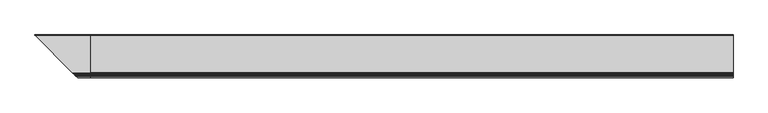
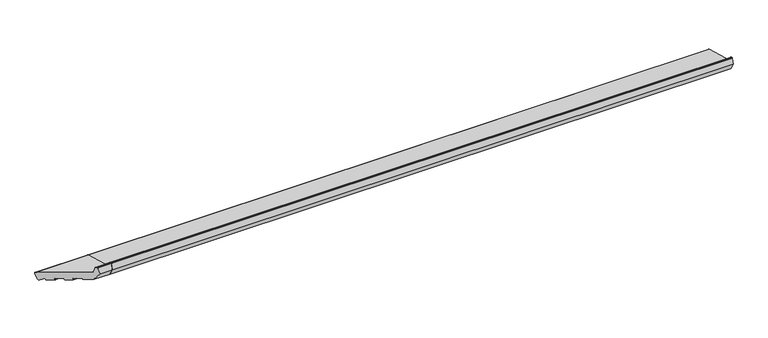
"""IFC4 building model written with IfcOpenShell, lengths in millimetres: proxy geometry."""

from ifc_helpers import new_model, si_unit, point, frame, frame_2d, origin, place, context, project, spatial, polyline, circle_curve, ellipse_curve, trimmed, segment, composite_curve, outline, extrude, source, transform, mapped, element, save
from ifc_brep_helpers import plane_surface, cylinder_surface, revolved_surface, advanced_brep


def generic_models_24530f3c(model_context):
    return source(origin(), model_context, "Body", "SolidModel", [
        advanced_brep(
        [(-224.6670576, 34.6670576, 35.293328), (-224.6670576, 35.160744, 32.7223387), (-224.6670576, 34.6670576, 30.8798763), (0.0, 24.7572142, 5.4869469), (0.0, 28.4314488, 7.6082672), (0.0, 35.160744, 32.7223387), (0.0, 33.0394236, 36.3965733), (0.0, -118.1626434, 76.9110451), (0.0, -122.4052841, 81.1536858), (0.0, -127.1879801, 99.0029505), (0.0, -128.6368689, 100.114722), (0.0, -131.9802434, 100.114722), (0.0, -133.4291321, 99.0029505), (0.0, -140.0, 74.4801377), (0.0, -122.3223305, 43.8615159), (0.0, -94.3104815, 36.3557636), (0.0, -93.0857366, 37.0628704), (0.0, -92.0504605, 40.9265737), (0.0, -90.8257156, 41.6336805), (0.0, -67.6434958, 35.4220234), (0.0, -66.936389, 34.1972785), (0.0, -67.9716652, 30.3335752), (0.0, -67.2645584, 29.1088303), (0.0, -45.0482644, 23.1559923), (0.0, -43.8235195, 23.8630991), (0.0, -42.7882433, 27.7268024), (0.0, -41.5634984, 28.4339092), (0.0, -18.3812786, 22.2222521), (0.0, -17.6741718, 20.9975072), (0.0, -18.709448, 17.1338039), (0.0, -18.0023412, 15.909059), (0.0, 4.2139528, 9.956221), (0.0, 5.4386976, 10.6633278), (0.0, 6.3879511, 14.2059898), (0.0, 7.8722069, 14.8023515), (0.0, 22.0404366, 6.2149052), (-214.7572142, 24.7572142, 5.4869469), (-218.4314488, 28.4314488, 7.6082672), (-223.0394236, 33.0394236, 36.3965733), (-71.8373566, -118.1626434, 76.9110451), (-67.5947159, -122.4052841, 81.1536858), (-62.8120199, -127.1879801, 99.0029505), (-61.3631311, -128.6368689, 100.114722), (-58.0197566, -131.9802434, 100.114722), (-56.5708679, -133.4291321, 99.0029505), (-50.0, -140.0, 74.4801377), (-67.6776695, -122.3223305, 43.8615159), (-95.6895185, -94.3104815, 36.3557636), (-96.9142634, -93.0857366, 37.0628704), (-97.9495395, -92.0504605, 40.9265737), (-99.1742844, -90.8257156, 41.6336805), (-122.3565042, -67.6434958, 35.4220234), (-123.063611, -66.936389, 34.1972785), (-122.0283348, -67.9716652, 30.3335752), (-122.7354416, -67.2645584, 29.1088303), (-144.9517356, -45.0482644, 23.1559923), (-146.1764805, -43.8235195, 23.8630991), (-147.2117567, -42.7882433, 27.7268024), (-148.4365016, -41.5634984, 28.4339092), (-212.0404366, 22.0404366, 6.2149052), (-171.6187214, -18.3812786, 22.2222521), (-171.290552, -18.709448, 17.1338039), (-171.9976588, -18.0023412, 15.909059), (-172.3258282, -17.6741718, 20.9975072), (-194.2139528, 4.2139528, 9.956221), (-195.4386976, 5.4386976, 10.6633278), (-196.3879511, 6.3879511, 14.2059898), (-197.8722069, 7.8722069, 14.8023515)],
        [
            (0, 1, circle_curve(frame((-224.6670576, 32.2629665, 33.4987958), z_axis=(-1.0, 0.0, 0.0), x_axis=(0.0, 1.0, 0.0)), 3.0)),
            (1, 2),
            (2, 0),
            (3, 4, circle_curve(frame((0.0, 25.5336713, 8.3847244), z_axis=(1.0, 0.0, 0.0), x_axis=(0.0, 1.0, 0.0)), 3.0)),
            (4, 5),
            (5, 6, circle_curve(frame((0.0, 32.2629665, 33.4987958), z_axis=(1.0, 0.0, 0.0), x_axis=(0.0, 1.0, 0.0)), 3.0)),
            (6, 7),
            (7, 8, circle_curve(frame((0.0, -116.6097291, 82.7066), z_axis=(-1.0, 0.0, 0.0), x_axis=(0.0, 1.0, 0.0)), 6.0)),
            (8, 9),
            (9, 10, circle_curve(frame((0.0, -128.6368689, 98.614722), z_axis=(1.0, 0.0, 0.0), x_axis=(0.0, 1.0, 0.0)), 1.5)),
            (10, 11),
            (11, 12, circle_curve(frame((0.0, -131.9802434, 98.614722), z_axis=(1.0, 0.0, 0.0), x_axis=(0.0, 1.0, 0.0)), 1.5)),
            (12, 13),
            (13, 14),
            (14, 15),
            (15, 16, circle_curve(frame((0.0, -94.0516625, 37.3216894), z_axis=(1.0, 0.0, 0.0), x_axis=(0.0, 1.0, 0.0)), 1.0)),
            (16, 17),
            (17, 18, circle_curve(frame((0.0, -91.0845346, 40.6677546), z_axis=(-1.0, 0.0, 0.0), x_axis=(0.0, 1.0, 0.0)), 1.0)),
            (18, 19),
            (19, 20, circle_curve(frame((0.0, -67.9023148, 34.4560976), z_axis=(-1.0, 0.0, 0.0), x_axis=(0.0, 1.0, 0.0)), 1.0)),
            (20, 21),
            (21, 22, circle_curve(frame((0.0, -67.0057393, 30.0747562), z_axis=(1.0, 0.0, 0.0), x_axis=(0.0, 1.0, 0.0)), 1.0)),
            (22, 23),
            (23, 24, circle_curve(frame((0.0, -44.7894453, 24.1219181), z_axis=(1.0, 0.0, 0.0), x_axis=(0.0, 1.0, 0.0)), 1.0)),
            (24, 25),
            (25, 26, circle_curve(frame((0.0, -41.8223175, 27.4679833), z_axis=(-1.0, 0.0, 0.0), x_axis=(0.0, 1.0, 0.0)), 1.0)),
            (26, 27),
            (27, 28, circle_curve(frame((0.0, -18.6400977, 21.2563263), z_axis=(-1.0, 0.0, 0.0), x_axis=(0.0, 1.0, 0.0)), 1.0)),
            (28, 29),
            (29, 30, circle_curve(frame((0.0, -17.7435222, 16.8749849), z_axis=(1.0, 0.0, 0.0), x_axis=(0.0, 1.0, 0.0)), 1.0)),
            (30, 31),
            (31, 32, circle_curve(frame((0.0, 4.4727718, 10.9221468), z_axis=(1.0, 0.0, 0.0), x_axis=(0.0, 1.0, 0.0)), 1.0)),
            (32, 33),
            (33, 34, circle_curve(frame((0.0, 7.3538769, 13.9471708), z_axis=(-1.0, 0.0, 0.0), x_axis=(0.0, 1.0, 0.0)), 1.0)),
            (34, 35),
            (35, 3),
            (3, 36),
            (36, 37, ellipse_curve(frame((-215.5336713, 25.5336713, 8.3847244), z_axis=(0.707106781186548, 0.7071067811865471, 0.0), x_axis=(-0.707106781186547, 0.707106781186548, 0.0)), 4.2426407, 3.0)),
            (37, 4),
            (37, 2),
            (1, 5),
            (0, 38, ellipse_curve(frame((-222.2629665, 32.2629665, 33.4987958), z_axis=(0.707106781186548, 0.7071067811865471, 0.0), x_axis=(-0.707106781186547, 0.707106781186548, 0.0)), 4.2426407, 3.0)),
            (38, 6),
            (38, 39),
            (39, 7),
            (39, 40, ellipse_curve(frame((-73.3902709, -116.6097291, 82.7066), z_axis=(-0.707106781186548, -0.7071067811865471, 0.0), x_axis=(0.707106781186547, -0.707106781186548, 0.0)), 8.4852814, 6.0)),
            (40, 8),
            (40, 41),
            (41, 9),
            (41, 42, ellipse_curve(frame((-61.3631311, -128.6368689, 98.614722), z_axis=(0.707106781186548, 0.7071067811865471, 0.0), x_axis=(-0.707106781186547, 0.707106781186548, 0.0)), 2.1213203, 1.5)),
            (42, 10),
            (42, 43),
            (43, 11),
            (43, 44, ellipse_curve(frame((-58.0197566, -131.9802434, 98.614722), z_axis=(0.707106781186548, 0.7071067811865471, 0.0), x_axis=(-0.707106781186547, 0.707106781186548, 0.0)), 2.1213203, 1.5)),
            (44, 12),
            (44, 45),
            (45, 13),
            (45, 46),
            (46, 14),
            (46, 47),
            (47, 15),
            (47, 48, ellipse_curve(frame((-95.9483375, -94.0516625, 37.3216894), z_axis=(0.707106781186548, 0.7071067811865471, 0.0), x_axis=(-0.707106781186547, 0.707106781186548, 0.0)), 1.4142136, 1.0)),
            (48, 16),
            (48, 49),
            (49, 17),
            (49, 50, ellipse_curve(frame((-98.9154654, -91.0845346, 40.6677546), z_axis=(-0.707106781186548, -0.7071067811865471, 0.0), x_axis=(0.707106781186547, -0.707106781186548, 0.0)), 1.4142136, 1.0)),
            (50, 18),
            (50, 51),
            (51, 19),
            (51, 52, ellipse_curve(frame((-122.0976852, -67.9023148, 34.4560976), z_axis=(-0.707106781186548, -0.7071067811865471, 0.0), x_axis=(0.707106781186547, -0.707106781186548, 0.0)), 1.4142136, 1.0)),
            (52, 20),
            (52, 53),
            (53, 21),
            (53, 54, ellipse_curve(frame((-122.9942607, -67.0057393, 30.0747562), z_axis=(0.707106781186548, 0.7071067811865471, 0.0), x_axis=(-0.707106781186547, 0.707106781186548, 0.0)), 1.4142136, 1.0)),
            (54, 22),
            (54, 55),
            (55, 23),
            (55, 56, ellipse_curve(frame((-145.2105547, -44.7894453, 24.1219181), z_axis=(0.707106781186548, 0.7071067811865471, 0.0), x_axis=(-0.707106781186547, 0.707106781186548, 0.0)), 1.4142136, 1.0)),
            (56, 24),
            (56, 57),
            (57, 25),
            (57, 58, ellipse_curve(frame((-148.1776825, -41.8223175, 27.4679833), z_axis=(-0.707106781186548, -0.7071067811865471, 0.0), x_axis=(0.707106781186547, -0.707106781186548, 0.0)), 1.4142136, 1.0)),
            (58, 26),
            (35, 59),
            (59, 36),
            (58, 60),
            (60, 27),
            (29, 61),
            (61, 62, ellipse_curve(frame((-172.2564778, -17.7435222, 16.8749849), z_axis=(0.707106781186548, 0.7071067811865471, 0.0), x_axis=(-0.707106781186547, 0.707106781186548, 0.0)), 1.4142136, 1.0)),
            (62, 30),
            (28, 63),
            (63, 61),
            (60, 63, ellipse_curve(frame((-171.3599023, -18.6400977, 21.2563263), z_axis=(-0.707106781186548, -0.7071067811865471, 0.0), x_axis=(0.707106781186547, -0.707106781186548, 0.0)), 1.4142136, 1.0)),
            (62, 64),
            (64, 31),
            (64, 65, ellipse_curve(frame((-194.4727718, 4.4727718, 10.9221468), z_axis=(0.707106781186548, 0.7071067811865471, 0.0), x_axis=(-0.707106781186547, 0.707106781186548, 0.0)), 1.4142136, 1.0)),
            (65, 32),
            (65, 66),
            (66, 33),
            (66, 67, ellipse_curve(frame((-197.3538769, 7.3538769, 13.9471708), z_axis=(-0.707106781186548, -0.7071067811865471, 0.0), x_axis=(0.707106781186547, -0.707106781186548, 0.0)), 1.4142136, 1.0)),
            (67, 34),
            (67, 59),
        ],
        [
            plane_surface(frame((-224.6670576, 0.0, 0.0), z_axis=(-1.0, 0.0, 0.0), x_axis=(0.0, 0.0, 1.0))),
            plane_surface(frame((0.0, 0.0, 0.0), z_axis=(1.0, 0.0, 0.0), x_axis=(0.0, 0.0, 1.0))),
            cylinder_surface(frame((-224.6670576, 25.5336713, 8.3847244), z_axis=(-1.0, 0.0, 0.0), x_axis=(0.0, 1.0, 0.0)), 3.0),
            plane_surface(frame((-224.6670576, 35.160744, 32.7223387), z_axis=(0.0, 0.9659258262890688, -0.25881904510251913), x_axis=(1.0, 0.0, 0.0))),
            cylinder_surface(frame((-224.6670576, 32.2629665, 33.4987958), z_axis=(-1.0, 0.0, 0.0), x_axis=(0.0, 1.0, 0.0)), 3.0),
            plane_surface(frame((-224.6670576, -118.1626434, 76.9110451), z_axis=(0.0, 0.2588190451025206, 0.9659258262890684), x_axis=(1.0, 0.0, 0.0))),
            revolved_surface(polyline([(0.0, -110.6097291, 82.7066), (-79.39027091821606, -110.6097291, 82.7066)]), (-224.6670576, -116.6097291, 82.7066), (1.0, 0.0, 0.0)),
            plane_surface(frame((-224.6670576, -127.1879801, 99.0029505), z_axis=(0.0, 0.9659258262890682, 0.2588190451025212), x_axis=(1.0, 0.0, 0.0))),
            cylinder_surface(frame((-224.6670576, -128.6368689, 98.614722), z_axis=(-1.0, 0.0, 0.0), x_axis=(0.0, 1.0, 0.0)), 1.5),
            plane_surface(frame((-224.6670576, -131.9802434, 100.114722), z_axis=(0.0, 0.0, 1.0), x_axis=(1.0, 0.0, 0.0))),
            cylinder_surface(frame((-224.6670576, -131.9802434, 98.614722), z_axis=(-1.0, 0.0, 0.0), x_axis=(0.0, 1.0, 0.0)), 1.5),
            plane_surface(frame((-224.6670576, -140.0, 74.4801377), z_axis=(0.0, -0.9659258262890683, 0.25881904510252074), x_axis=(1.0, 0.0, 0.0))),
            plane_surface(frame((-224.6670576, -122.3223305, 43.8615159), z_axis=(0.0, -0.8660254037844369, -0.500000000000003), x_axis=(1.0, 0.0, 0.0))),
            plane_surface(frame((-224.6670576, -94.3104815, 36.3557636), z_axis=(0.0, -0.2588190451025208, -0.9659258262890683), x_axis=(1.0, 0.0, 0.0))),
            cylinder_surface(frame((-224.6670576, -94.0516625, 37.3216894), z_axis=(-1.0, 0.0, 0.0), x_axis=(0.0, 1.0, 0.0)), 1.0),
            plane_surface(frame((-224.6670576, -92.0504605, 40.9265737), z_axis=(0.0, 0.9659258262890618, -0.25881904510254516), x_axis=(1.0, 0.0, 0.0))),
            revolved_surface(polyline([(0.0, -90.0845346, 40.6677546), (-99.91546542660625, -90.0845346, 40.6677546)]), (-224.6670576, -91.0845346, 40.6677546), (1.0, 0.0, 0.0)),
            plane_surface(frame((-224.6670576, -67.6434958, 35.4220234), z_axis=(0.0, -0.2588190451025217, -0.9659258262890681), x_axis=(1.0, 0.0, 0.0))),
            revolved_surface(polyline([(0.0, -66.9023148, 34.4560976), (-123.09768522660625, -66.9023148, 34.4560976)]), (-224.6670576, -67.9023148, 34.4560976), (1.0, 0.0, 0.0)),
            plane_surface(frame((-224.6670576, -67.9716652, 30.3335752), z_axis=(0.0, -0.9659258262890634, 0.25881904510253917), x_axis=(1.0, 0.0, 0.0))),
            cylinder_surface(frame((-224.6670576, -67.0057393, 30.0747562), z_axis=(-1.0, 0.0, 0.0), x_axis=(0.0, 1.0, 0.0)), 1.0),
            plane_surface(frame((-224.6670576, -45.0482644, 23.1559923), z_axis=(0.0, -0.2588190451025211, -0.9659258262890682), x_axis=(1.0, 0.0, 0.0))),
            cylinder_surface(frame((-224.6670576, -44.7894453, 24.1219181), z_axis=(-1.0, 0.0, 0.0), x_axis=(0.0, 1.0, 0.0)), 1.0),
            plane_surface(frame((-224.6670576, -42.7882433, 27.7268024), z_axis=(0.0, 0.9659258262890634, -0.2588190451025389), x_axis=(1.0, 0.0, 0.0))),
            revolved_surface(polyline([(0.0, -40.8223175, 27.4679833), (-149.17768252660625, -40.8223175, 27.4679833)]), (-224.6670576, -41.8223175, 27.4679833), (1.0, 0.0, 0.0)),
            plane_surface(frame((-224.6670576, 24.7572142, 5.4869469), z_axis=(0.0, -0.2588190451025144, -0.96592582628907), x_axis=(1.0, 0.0, 0.0))),
            plane_surface(frame((-224.6670576, -18.3812786, 22.2222521), z_axis=(0.0, -0.25881904510252046, -0.9659258262890684), x_axis=(1.0, 0.0, 0.0))),
            cylinder_surface(frame((-224.6670576, -17.7435222, 16.8749849), z_axis=(-1.0, 0.0, 0.0), x_axis=(0.0, 1.0, 0.0)), 1.0),
            plane_surface(frame((-224.6670576, -18.709448, 17.1338039), z_axis=(0.0, -0.9659258262890631, 0.25881904510254045), x_axis=(1.0, 0.0, 0.0))),
            revolved_surface(polyline([(0.0, -17.6400977, 21.2563263), (-172.35990232660623, -17.6400977, 21.2563263)]), (-224.6670576, -18.6400977, 21.2563263), (1.0, 0.0, 0.0)),
            plane_surface(frame((-224.6670576, 4.2139528, 9.956221), z_axis=(0.0, -0.2588190451025199, -0.9659258262890685), x_axis=(1.0, 0.0, 0.0))),
            cylinder_surface(frame((-224.6670576, 4.4727718, 10.9221468), z_axis=(-1.0, 0.0, 0.0), x_axis=(0.0, 1.0, 0.0)), 1.0),
            plane_surface(frame((-224.6670576, 6.3879511, 14.2059898), z_axis=(0.0, 0.9659258262890689, -0.2588190451025187), x_axis=(1.0, 0.0, 0.0))),
            revolved_surface(polyline([(0.0, 8.3538769, 13.9471708), (-198.35387692660623, 8.3538769, 13.9471708)]), (-224.6670576, 7.3538769, 13.9471708), (1.0, 0.0, 0.0)),
            plane_surface(frame((-224.6670576, 22.0404366, 6.2149052), z_axis=(0.0, -0.5183299834329735, -0.8551806991942542), x_axis=(1.0, 0.0, 0.0))),
            plane_surface(frame((-170.8510281, -19.1489719, 0.0), z_axis=(-0.707106781186548, -0.7071067811865471, 0.0), x_axis=(0.0, 0.0, 1.0))),
        ],
        [
            (0, [[1, 2, 3]]),
            (1, [[4, 5, 6, 7, 8, 9, 10, 11, 12, 13, 14, 15, 16, 17, 18, 19, 20, 21, 22, 23, 24, 25, 26, 27, 28, 29, 30, 31, 32, 33, 34, 35, 36]]),
            (2, [[-4, 37, 38, 39]]),
            (3, [[-5, -39, 40, -2, 41]]),
            (4, [[-6, -41, -1, 42, 43]]),
            (5, [[-7, -43, 44, 45]]),
            (6, [[-8, -45, 46, 47]]),
            (7, [[-9, -47, 48, 49]]),
            (8, [[-10, -49, 50, 51]]),
            (9, [[-11, -51, 52, 53]]),
            (10, [[-12, -53, 54, 55]]),
            (11, [[-13, -55, 56, 57]]),
            (12, [[-14, -57, 58, 59]]),
            (13, [[-15, -59, 60, 61]]),
            (14, [[-16, -61, 62, 63]]),
            (15, [[-17, -63, 64, 65]]),
            (16, [[-18, -65, 66, 67]]),
            (17, [[-19, -67, 68, 69]]),
            (18, [[-20, -69, 70, 71]]),
            (19, [[-21, -71, 72, 73]]),
            (20, [[-22, -73, 74, 75]]),
            (21, [[-23, -75, 76, 77]]),
            (22, [[-24, -77, 78, 79]]),
            (23, [[-25, -79, 80, 81]]),
            (24, [[-26, -81, 82, 83]]),
            (25, [[-36, 84, 85, -37]]),
            (26, [[-27, -83, 86, 87]]),
            (27, [[-30, 88, 89, 90]]),
            (28, [[-29, 91, 92, -88]]),
            (29, [[-28, -87, 93, -91]]),
            (30, [[-31, -90, 94, 95]]),
            (31, [[-32, -95, 96, 97]]),
            (32, [[-33, -97, 98, 99]]),
            (33, [[-34, -99, 100, 101]]),
            (34, [[-35, -101, 102, -84]]),
            (35, [[-3, -40, -38, -85, -102, -100, -98, -96, -94, -89, -92, -93, -86, -82, -80, -78, -76, -74, -72, -70, -68, -66, -64, -62, -60, -58, -56, -54, -52, -50, -48, -46, -44, -42]]),
        ],
    ),
        extrude(outline(composite_curve([segment(polyline([(24.7572142, 5.4869469), (22.0404366, 6.2149052), (7.8722069, 14.8023515)]), True, "CONTINUOUS"), segment(trimmed(circle_curve(frame_2d((7.3538769, 13.9471708)), 1.0), [point((7.8722069, 14.8023515))], [point((6.3879511, 14.2059898))], True, "CARTESIAN"), True, "CONTINUOUS"), segment(polyline([(6.3879511, 14.2059898), (5.4386976, 10.6633278)]), True, "CONTINUOUS"), segment(trimmed(circle_curve(frame_2d((4.4727718, 10.9221468)), 1.0), [point((5.4386976, 10.6633278))], [point((4.2139528, 9.956221))], False, "CARTESIAN"), True, "CONTINUOUS"), segment(polyline([(4.2139528, 9.956221), (-18.0023412, 15.909059)]), True, "CONTINUOUS"), segment(trimmed(circle_curve(frame_2d((-17.7435222, 16.8749849)), 1.0), [point((-18.0023412, 15.909059))], [point((-18.709448, 17.1338039))], False, "CARTESIAN"), True, "CONTINUOUS"), segment(polyline([(-18.709448, 17.1338039), (-17.6741718, 20.9975072)]), True, "CONTINUOUS"), segment(trimmed(circle_curve(frame_2d((-18.6400977, 21.2563263)), 1.0), [point((-17.6741718, 20.9975072))], [point((-18.3812786, 22.2222521))], True, "CARTESIAN"), True, "CONTINUOUS"), segment(polyline([(-18.3812786, 22.2222521), (-41.5634984, 28.4339092)]), True, "CONTINUOUS"), segment(trimmed(circle_curve(frame_2d((-41.8223175, 27.4679833)), 1.0), [point((-41.5634984, 28.4339092))], [point((-42.7882433, 27.7268024))], True, "CARTESIAN"), True, "CONTINUOUS"), segment(polyline([(-42.7882433, 27.7268024), (-43.8235195, 23.8630991)]), True, "CONTINUOUS"), segment(trimmed(circle_curve(frame_2d((-44.7894453, 24.1219181)), 1.0), [point((-43.8235195, 23.8630991))], [point((-45.0482644, 23.1559923))], False, "CARTESIAN"), True, "CONTINUOUS"), segment(polyline([(-45.0482644, 23.1559923), (-67.2645584, 29.1088303)]), True, "CONTINUOUS"), segment(trimmed(circle_curve(frame_2d((-67.0057393, 30.0747562)), 1.0), [point((-67.2645584, 29.1088303))], [point((-67.9716652, 30.3335752))], False, "CARTESIAN"), True, "CONTINUOUS"), segment(polyline([(-67.9716652, 30.3335752), (-66.936389, 34.1972785)]), True, "CONTINUOUS"), segment(trimmed(circle_curve(frame_2d((-67.9023148, 34.4560976)), 1.0), [point((-66.936389, 34.1972785))], [point((-67.6434958, 35.4220234))], True, "CARTESIAN"), True, "CONTINUOUS"), segment(polyline([(-67.6434958, 35.4220234), (-90.8257156, 41.6336805)]), True, "CONTINUOUS"), segment(trimmed(circle_curve(frame_2d((-91.0845346, 40.6677546)), 1.0), [point((-90.8257156, 41.6336805))], [point((-92.0504605, 40.9265737))], True, "CARTESIAN"), True, "CONTINUOUS"), segment(polyline([(-92.0504605, 40.9265737), (-93.0857366, 37.0628704)]), True, "CONTINUOUS"), segment(trimmed(circle_curve(frame_2d((-94.0516625, 37.3216894)), 1.0), [point((-93.0857366, 37.0628704))], [point((-94.3104815, 36.3557636))], False, "CARTESIAN"), True, "CONTINUOUS"), segment(polyline([(-94.3104815, 36.3557636), (-122.3223305, 43.8615159), (-140.0, 74.4801377), (-133.4291321, 99.0029505)]), True, "CONTINUOUS"), segment(trimmed(circle_curve(frame_2d((-131.9802434, 98.614722)), 1.5), [point((-133.4291321, 99.0029505))], [point((-131.9802434, 100.114722))], False, "CARTESIAN"), True, "CONTINUOUS"), segment(polyline([(-131.9802434, 100.114722), (-128.6368689, 100.114722)]), True, "CONTINUOUS"), segment(trimmed(circle_curve(frame_2d((-128.6368689, 98.614722)), 1.5), [point((-128.6368689, 100.114722))], [point((-127.1879801, 99.0029505))], False, "CARTESIAN"), True, "CONTINUOUS"), segment(polyline([(-127.1879801, 99.0029505), (-122.4052841, 81.1536858)]), True, "CONTINUOUS"), segment(trimmed(circle_curve(frame_2d((-116.6097291, 82.7066)), 6.0), [point((-122.4052841, 81.1536858))], [point((-118.1626434, 76.9110451))], True, "CARTESIAN"), True, "CONTINUOUS"), segment(polyline([(-118.1626434, 76.9110451), (33.0394236, 36.3965733)]), True, "CONTINUOUS"), segment(trimmed(circle_curve(frame_2d((32.2629665, 33.4987958)), 3.0), [point((33.0394236, 36.3965733))], [point((35.160744, 32.7223387))], False, "CARTESIAN"), True, "CONTINUOUS"), segment(polyline([(35.160744, 32.7223387), (28.4314488, 7.6082672)]), True, "CONTINUOUS"), segment(trimmed(circle_curve(frame_2d((25.5336713, 8.3847244)), 3.0), [point((28.4314488, 7.6082672))], [point((24.7572142, 5.4869469))], False, "CARTESIAN"), True, "CONTINUOUS")], self_intersect=False)), frame((0.0, 0.0, 0.0), z_axis=(1.0, 0.0, 0.0), x_axis=(0.0, 1.0, 0.0)), (0.0, 0.0, 1.0), 2620.0),
    ])


if __name__ == "__main__":
    model = new_model("IFC4")
    model_context = context("Model", 3, world=origin())
    ifc_project = project(units=[si_unit("LENGTHUNIT", "METRE", prefix="MILLI")], contexts=[model_context])
    site = spatial("IfcSite", under=ifc_project)
    building = spatial("IfcBuilding", under=site)
    placement = place(None, origin())
    generic_models_shape = generic_models_24530f3c(model_context)
    element("IfcBuildingElementProxy", 1, Name="Generic Models", at=placement, inside=building, context=model_context, shape_type="MappedRepresentation", body=[
        mapped(generic_models_shape, transform((0.0, 0.0, 0.0), x_axis=(1.0, 0.0, 0.0), y_axis=(0.0, 1.0, 0.0), z_axis=(0.0, 0.0, 1.0))),
    ])
    save(model, "model.ifc")
